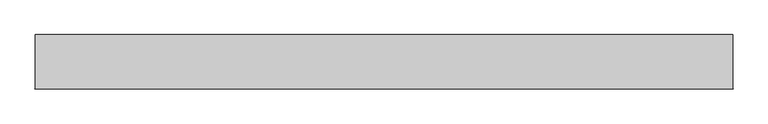
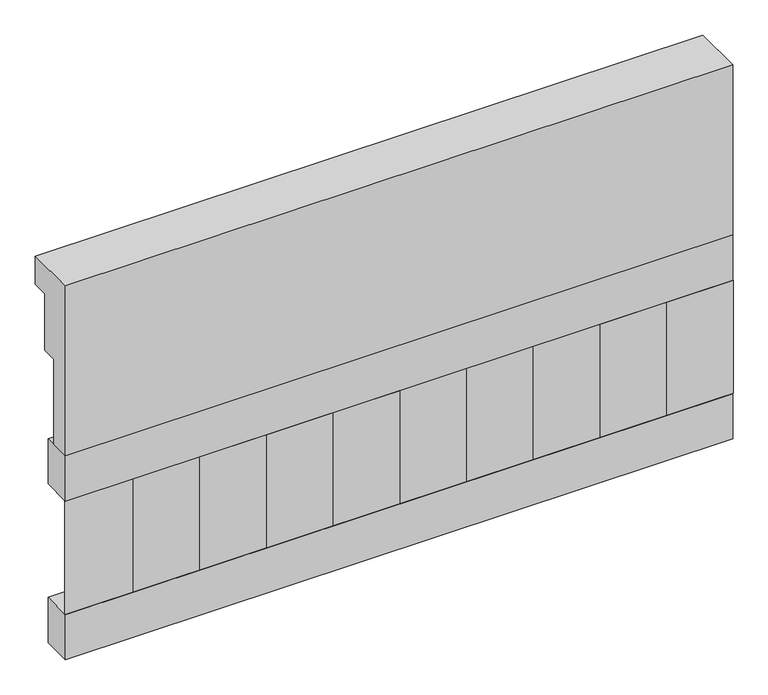
"""IFC4 building model written with IfcOpenShell, lengths in millimetres: railing geometry."""

import ifcopenshell
import ifcopenshell.guid

model = None  # the IFC model being written
_history = None  # IfcOwnerHistory: only IFC2X3 demands one
_inside = {}  # id of a spatial element -> (the spatial element, [elements in it])
_under = {}  # id of a project, library or spatial element -> (it, [spatial elements below it])
_declared = {}  # id of a project -> (the project, [libraries it declares])
_typed = {}  # id of a type object -> (the type object, [elements of that type])
_made_of = {}  # id of a material, layer set ... -> (it, [elements and type objects made of it])


def new_model(schema):
    """Start an empty IFC model of exactly this schema.

    Asked for "IFC4X3", IfcOpenShell would pick the latest addendum, in which some entities
    have other attributes; the version numbers below select the first issue.
    IFC2X3 requires an IfcOwnerHistory on every rooted entity: one is made here for all.
    """
    global model, _history
    if schema == "IFC4X3":
        model = ifcopenshell.file(schema_version=(4, 3, 0, 0))
    else:
        model = ifcopenshell.file(schema=schema)
    _inside.clear()
    _under.clear()
    _declared.clear()
    _typed.clear()
    _made_of.clear()
    _history = None
    if model.schema == "IFC2X3":
        org = make("IfcOrganization", Name="unknown")
        user = make(
            "IfcPersonAndOrganization",
            ThePerson=make("IfcPerson", FamilyName="unknown"),
            TheOrganization=org,
        )
        app = make(
            "IfcApplication",
            ApplicationDeveloper=org,
            Version="unknown",
            ApplicationFullName="unknown",
            ApplicationIdentifier="unknown",
        )
        _history = make(
            "IfcOwnerHistory",
            OwningUser=user,
            OwningApplication=app,
            ChangeAction="ADDED",
            CreationDate=0,
        )
    return model


def make(cls, **values):
    """One entity of the class cls with the attributes given. An attribute that is None is left unset."""
    return model.create_entity(
        cls, **{name: value for name, value in values.items() if value is not None}
    )


def rooted(cls, **values):
    """An entity with a GlobalId (a new one), such as an element, a storey or a relation."""
    return make(cls, GlobalId=ifcopenshell.guid.new(), OwnerHistory=_history, **values)


def si_unit(unit_type, name, prefix=None):
    """IfcSIUnit, for example si_unit("LENGTHUNIT", "METRE", prefix="MILLI")."""
    return make("IfcSIUnit", UnitType=unit_type, Prefix=prefix, Name=name)


def assignment(units):
    """IfcUnitAssignment: the units of a project."""
    return None if units is None else make("IfcUnitAssignment", Units=units)


def point(xyz):
    """IfcCartesianPoint."""
    return None if xyz is None else make("IfcCartesianPoint", Coordinates=xyz)


def direction(xyz):
    """IfcDirection."""
    return None if xyz is None else make("IfcDirection", DirectionRatios=xyz)


def frame(location, z_axis=None, x_axis=None):
    """IfcAxis2Placement3D, a coordinate frame: its origin and axes. An axis left out is left unset."""
    return make(
        "IfcAxis2Placement3D",
        Location=point(location),
        Axis=direction(z_axis),
        RefDirection=direction(x_axis),
    )


def origin():
    """The frame at (0, 0, 0) with its axes left unset."""
    return frame((0.0, 0.0, 0.0))


def place(relative_to, where):
    """IfcLocalPlacement: puts the frame where relative to a parent placement (None: the world)."""
    return make(
        "IfcLocalPlacement", PlacementRelTo=relative_to, RelativePlacement=where
    )


def context(
    kind, dimensions, precision=None, world=None, true_north=None, identifier=None
):
    """IfcGeometricRepresentationContext, for example the 3D "Model" context."""
    return make(
        "IfcGeometricRepresentationContext",
        ContextIdentifier=identifier,
        ContextType=kind,
        CoordinateSpaceDimension=dimensions,
        Precision=precision,
        WorldCoordinateSystem=world,
        TrueNorth=true_north,
    )


def project(units=None, contexts=None):
    """IfcProject with its units and contexts."""
    return rooted(
        "IfcProject",
        Name="project",
        RepresentationContexts=contexts,
        UnitsInContext=assignment(units),
    )


def spatial(cls, under=None, at=None, **own):
    """A site, building, storey or space (cls), placed at a placement, below another one or the project."""
    s = rooted(cls, ObjectPlacement=at, **own)
    if under is not None:
        _under.setdefault(under.id(), (under, []))[1].append(s)
    return s


def polyline(points):
    """IfcPolyline through the points."""
    return make("IfcPolyline", Points=[point(p) for p in points])


def outline(outer, holes=None, kind="AREA"):
    """IfcArbitraryClosedProfileDef: a profile drawn as a closed curve; with holes, ...WithVoids."""
    if holes is None:
        return make("IfcArbitraryClosedProfileDef", ProfileType=kind, OuterCurve=outer)
    return make(
        "IfcArbitraryProfileDefWithVoids",
        ProfileType=kind,
        OuterCurve=outer,
        InnerCurves=holes,
    )


def extrude(swept, where, along, depth):
    """IfcExtrudedAreaSolid: the profile swept, set in the frame where, extruded along a direction by depth."""
    return make(
        "IfcExtrudedAreaSolid",
        SweptArea=swept,
        Position=where,
        ExtrudedDirection=direction(along),
        Depth=depth,
    )


def shape(context_of_items, identifier, shape_type, items):
    """IfcShapeRepresentation: the items that make up one representation, for example the "Body"."""
    return make(
        "IfcShapeRepresentation",
        ContextOfItems=context_of_items,
        RepresentationIdentifier=identifier,
        RepresentationType=shape_type,
        Items=items,
    )


def source(mapping_origin, context_of_items, identifier, shape_type, items):
    """IfcRepresentationMap: a shape defined once, which mapped items show again and again."""
    return make(
        "IfcRepresentationMap",
        MappingOrigin=mapping_origin,
        MappedRepresentation=shape(context_of_items, identifier, shape_type, items),
    )


def transform(
    local_origin,
    x_axis=None,
    y_axis=None,
    z_axis=None,
    scale=None,
    scale2=None,
    scale3=None,
    uniform=True,
):
    """IfcCartesianTransformationOperator3D, or its non-uniform kind. x_axis, y_axis, z_axis: its Axis1, 2, 3."""
    if uniform:
        return make(
            "IfcCartesianTransformationOperator3D",
            Axis1=direction(x_axis),
            Axis2=direction(y_axis),
            LocalOrigin=point(local_origin),
            Scale=scale,
            Axis3=direction(z_axis),
        )
    return make(
        "IfcCartesianTransformationOperator3DnonUniform",
        Axis1=direction(x_axis),
        Axis2=direction(y_axis),
        LocalOrigin=point(local_origin),
        Scale=scale,
        Axis3=direction(z_axis),
        Scale2=scale2,
        Scale3=scale3,
    )


def mapped(mapping_source, mapping_target):
    """IfcMappedItem: shows the shape of a source again, moved by a transform."""
    return make(
        "IfcMappedItem", MappingSource=mapping_source, MappingTarget=mapping_target
    )


def made_of(thing, what):
    """Note that an element or type object is made of a material, layer set ...; save() writes the relation."""
    if what is not None:
        _made_of.setdefault(what.id(), (what, []))[1].append(thing)
    return thing


def element(
    cls,
    number,
    at=None,
    inside=None,
    cuts=None,
    type_object=None,
    material=None,
    context=None,
    identifier="Body",
    shape_type=None,
    held_by="IfcProductDefinitionShape",
    body=None,
    shapes=None,
    **own,
):
    """One element of the class cls, such as IfcWall. Its Tag is "e" and its number.

    at: its placement. inside: the storey or other place that contains it. cuts: it is an
    opening in that element (IfcRelVoidsElement). A single representation is given by context,
    identifier, shape_type and body (its items); several are given by shapes. held_by: the class
    of the entity that holds the representations. save() writes the other relations.
    """
    e = rooted(cls, Tag="e%d" % number, ObjectPlacement=at, **own)
    if body is not None:
        shapes = [shape(context, identifier, shape_type, body)]
    if shapes is not None:
        e.Representation = make(held_by, Representations=shapes)
    if inside is not None:
        _inside.setdefault(inside.id(), (inside, []))[1].append(e)
    if cuts is not None:
        rooted(
            "IfcRelVoidsElement", RelatingBuildingElement=cuts, RelatedOpeningElement=e
        )
    if type_object is not None:
        _typed.setdefault(type_object.id(), (type_object, []))[1].append(e)
    return made_of(e, material)


def aggregate(whole, parts):
    """IfcRelAggregates: a whole, such as a stair, and the parts it consists of."""
    return rooted("IfcRelAggregates", RelatingObject=whole, RelatedObjects=parts)


def save(model, path):
    """Write the relations noted so far, then the file.

    IfcRelAggregates (storeys below a building ...), IfcRelContainedInSpatialStructure (elements
    in a storey), IfcRelDefinesByType, IfcRelAssociatesMaterial and IfcRelDeclares: one each for
    every whole, place, type object, material and project.
    """
    for whole, parts in _under.values():
        aggregate(whole, parts)
    for where, things in _inside.values():
        rooted(
            "IfcRelContainedInSpatialStructure",
            RelatedElements=things,
            RelatingStructure=where,
        )
    for kind, things in _typed.values():
        rooted("IfcRelDefinesByType", RelatedObjects=things, RelatingType=kind)
    for what, things in _made_of.values():
        rooted("IfcRelAssociatesMaterial", RelatedObjects=things, RelatingMaterial=what)
    for by, libraries in _declared.values():
        rooted("IfcRelDeclares", RelatingContext=by, RelatedDefinitions=libraries)
    model.write(path)


def railing_b4632bfb(model_context):
    return source(origin(), model_context, "Body", "SweptSolid", [
        extrude(outline(polyline([(903.1079487, 28400.0), (1033.1079487, 28400.0), (1033.1079487, 28325.0), (993.1079487, 28325.0), (993.1079487, 28175.0), (953.1079487, 28175.0), (953.1079487, 27950.0), (903.1079487, 27950.0), (903.1079487, 28400.0)])), frame((-2009.9887159, 0.0, 0.0), z_axis=(1.0, 0.0, 0.0), x_axis=(0.0, 1.0, 0.0)), (0.0, 0.0, 1.0), 1670.0),
        extrude(outline(polyline([(-339.9887159, 978.1079487), (-339.9887159, 903.1079487), (-2009.9887159, 903.1079487), (-2009.9887159, 978.1079487), (-339.9887159, 978.1079487)])), frame((0.0, 0.0, 27830.0), z_axis=(0.0, 0.0, 1.0), x_axis=(1.0, 0.0, 0.0)), (0.0, 0.0, 1.0), 120.0),
        extrude(outline(polyline([(-339.9887159, 978.1079487), (-339.9887159, 903.1079487), (-2009.9887159, 903.1079487), (-2009.9887159, 978.1079487), (-339.9887159, 978.1079487)])), frame((0.0, 0.0, 27410.0), z_axis=(0.0, 0.0, 1.0), x_axis=(1.0, 0.0, 0.0)), (0.0, 0.0, 1.0), 120.0),
        extrude(outline(polyline([(-1926.4887159, 987.9607624), (-1841.6359022, 903.1079487), (-2011.3415296, 903.1079487), (-1926.4887159, 987.9607624)])), frame((0.0, 0.0, 27530.0), z_axis=(0.0, 0.0, 1.0), x_axis=(1.0, 0.0, 0.0)), (0.0, 0.0, 1.0), 300.0),
        extrude(outline(polyline([(-1759.4887159, 987.9607624), (-1674.6359022, 903.1079487), (-1844.3415296, 903.1079487), (-1759.4887159, 987.9607624)])), frame((0.0, 0.0, 27530.0), z_axis=(0.0, 0.0, 1.0), x_axis=(1.0, 0.0, 0.0)), (0.0, 0.0, 1.0), 300.0),
        extrude(outline(polyline([(-1592.4887159, 987.9607624), (-1507.6359022, 903.1079487), (-1677.3415296, 903.1079487), (-1592.4887159, 987.9607624)])), frame((0.0, 0.0, 27530.0), z_axis=(0.0, 0.0, 1.0), x_axis=(1.0, 0.0, 0.0)), (0.0, 0.0, 1.0), 300.0),
        extrude(outline(polyline([(-1425.4887159, 987.9607624), (-1340.6359022, 903.1079487), (-1510.3415296, 903.1079487), (-1425.4887159, 987.9607624)])), frame((0.0, 0.0, 27530.0), z_axis=(0.0, 0.0, 1.0), x_axis=(1.0, 0.0, 0.0)), (0.0, 0.0, 1.0), 300.0),
        extrude(outline(polyline([(-1258.4887159, 987.9607624), (-1173.6359022, 903.1079487), (-1343.3415296, 903.1079487), (-1258.4887159, 987.9607624)])), frame((0.0, 0.0, 27530.0), z_axis=(0.0, 0.0, 1.0), x_axis=(1.0, 0.0, 0.0)), (0.0, 0.0, 1.0), 300.0),
        extrude(outline(polyline([(-1091.4887159, 987.9607624), (-1006.6359022, 903.1079487), (-1176.3415296, 903.1079487), (-1091.4887159, 987.9607624)])), frame((0.0, 0.0, 27530.0), z_axis=(0.0, 0.0, 1.0), x_axis=(1.0, 0.0, 0.0)), (0.0, 0.0, 1.0), 300.0),
        extrude(outline(polyline([(-924.4887159, 987.9607624), (-839.6359022, 903.1079487), (-1009.3415296, 903.1079487), (-924.4887159, 987.9607624)])), frame((0.0, 0.0, 27530.0), z_axis=(0.0, 0.0, 1.0), x_axis=(1.0, 0.0, 0.0)), (0.0, 0.0, 1.0), 300.0),
        extrude(outline(polyline([(-757.4887159, 987.9607624), (-672.6359022, 903.1079487), (-842.3415296, 903.1079487), (-757.4887159, 987.9607624)])), frame((0.0, 0.0, 27530.0), z_axis=(0.0, 0.0, 1.0), x_axis=(1.0, 0.0, 0.0)), (0.0, 0.0, 1.0), 300.0),
        extrude(outline(polyline([(-590.4887159, 987.9607624), (-505.6359022, 903.1079487), (-675.3415296, 903.1079487), (-590.4887159, 987.9607624)])), frame((0.0, 0.0, 27530.0), z_axis=(0.0, 0.0, 1.0), x_axis=(1.0, 0.0, 0.0)), (0.0, 0.0, 1.0), 300.0),
        extrude(outline(polyline([(-423.4887159, 987.9607624), (-338.6359022, 903.1079487), (-508.3415296, 903.1079487), (-423.4887159, 987.9607624)])), frame((0.0, 0.0, 27530.0), z_axis=(0.0, 0.0, 1.0), x_axis=(1.0, 0.0, 0.0)), (0.0, 0.0, 1.0), 300.0),
    ])


if __name__ == "__main__":
    model = new_model("IFC4")
    model_context = context("Model", 3, world=origin())
    ifc_project = project(units=[si_unit("LENGTHUNIT", "METRE", prefix="MILLI")], contexts=[model_context])
    site = spatial("IfcSite", under=ifc_project)
    building = spatial("IfcBuilding", under=site)
    placement = place(None, origin())
    railing_shape = railing_b4632bfb(model_context)
    element("IfcRailing", 1, at=placement, inside=building, context=model_context, shape_type="MappedRepresentation", body=[
        mapped(railing_shape, transform((0.0, 0.0, 0.0), x_axis=(1.0, 0.0, 0.0), y_axis=(0.0, 1.0, 0.0), z_axis=(0.0, 0.0, 1.0))),
    ])
    save(model, "model.ifc")
